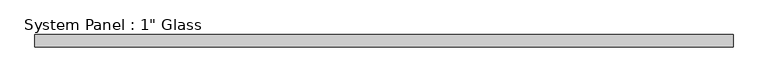
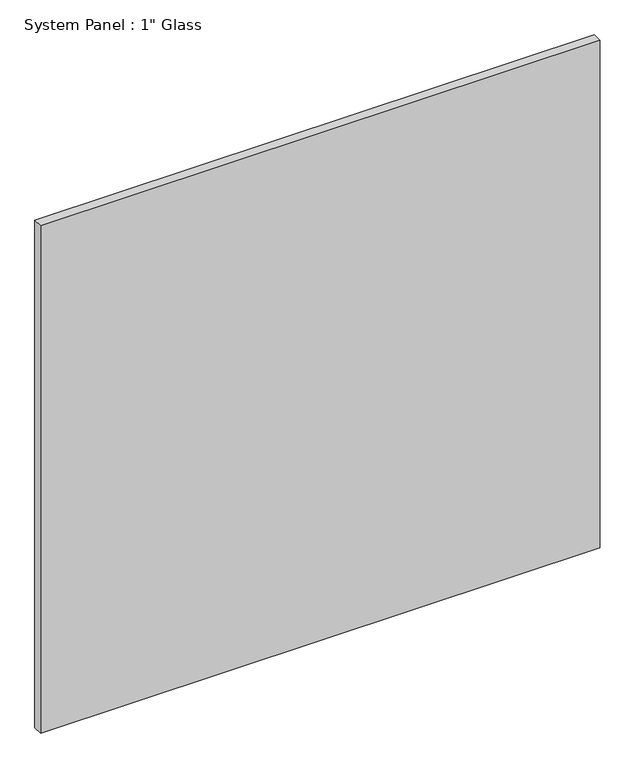
"""IFC4 building model written with IfcOpenShell, lengths in millimetres: plate geometry."""

from ifc_helpers import new_model, si_unit, origin, origin_with_axes, place, context, project, spatial, polyline, outline, extrude, source, transform, mapped, element, save


def plate_3cae2be3(model_context):
    return source(origin(), model_context, "Body", "SweptSolid", [
        extrude(outline(polyline([(729.2430865, -10.31875), (-729.2430865, -10.31875), (-729.2430865, 15.08125), (729.2430865, 15.08125), (729.2430865, -10.31875)])), origin_with_axes(), (0.0, 0.0, 1.0), 1397.5261731),
    ])


if __name__ == "__main__":
    model = new_model("IFC4")
    model_context = context("Model", 3, world=origin())
    ifc_project = project(units=[si_unit("LENGTHUNIT", "METRE", prefix="MILLI")], contexts=[model_context])
    site = spatial("IfcSite", under=ifc_project)
    building = spatial("IfcBuilding", under=site)
    placement = place(None, origin())
    plate_shape = plate_3cae2be3(model_context)
    element("IfcPlate", 1, ObjectType="System Panel : 1\" Glass", at=placement, inside=building, context=model_context, shape_type="MappedRepresentation", body=[
        mapped(plate_shape, transform((0.0, 0.0, 0.0), x_axis=(1.0, 0.0, 0.0), y_axis=(0.0, 1.0, 0.0), z_axis=(0.0, 0.0, 1.0))),
    ])
    save(model, "model.ifc")
